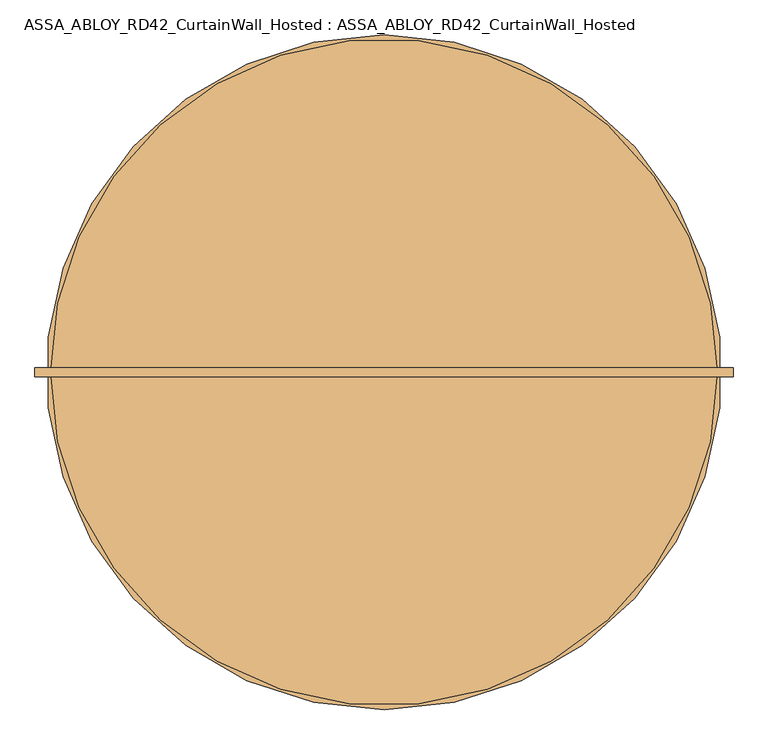
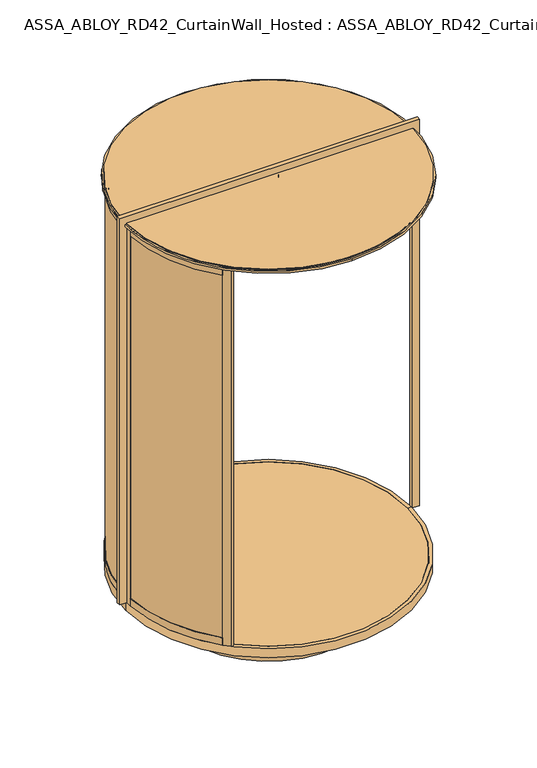
"""IFC4 building model written with IfcOpenShell, lengths in millimetres: door geometry, ASSA_ABLOY_RD42_CurtainWall_Hosted : ASSA_ABLOY_RD42_CurtainWall_Hosted."""

from ifc_helpers import new_model, si_unit, point, frame, frame_2d, origin, origin_with_axes, origin_2d, place, context, project, spatial, polyline, circle_curve, trimmed, segment, composite_curve, outline, extrude, source, transform, mapped, element, save
from ifc_brep_helpers import plane_surface, cylinder_surface, revolved_surface, advanced_brep


def assa_abloy_rd42_curtainwall_hosted_assa_abloy_rd42_5b84d394(model_context):
    return source(origin(), model_context, "Body", "SolidModel", [
        extrude(outline(composite_curve([segment(trimmed(circle_curve(origin_2d(), 979.0), [point((-692.2575388, 692.2575388))], [point((-978.4493032, 32.8323171))], True, "CARTESIAN"), True, "CONTINUOUS"), segment(polyline([(-978.4493032, 32.8323171), (-988.4436781, 33.1676829)]), True, "CONTINUOUS"), segment(trimmed(circle_curve(origin_2d(), 989.0), [point((-988.4436781, 33.1676829))], [point((-699.3286066, 699.3286066))], False, "CARTESIAN"), True, "CONTINUOUS"), segment(polyline([(-699.3286066, 699.3286066), (-692.2575388, 692.2575388)]), True, "CONTINUOUS")], self_intersect=False)), frame((0.0, 0.0, 33.0), z_axis=(0.0, 0.0, 1.0), x_axis=(1.0, 0.0, 0.0)), (0.0, 0.0, 1.0), 2715.0),
        advanced_brep(
        [(-700.2358565, 672.6891892, 0.0), (-718.9857353, 690.701464, 0.0), (-718.9857353, 690.701464, 53.0), (-716.8222877, 688.6231246, 53.0), (-716.8222877, 688.6231246, 33.0), (-702.3993041, 674.7675286, 33.0), (-702.3993041, 674.7675286, 53.0), (-700.2358565, 672.6891892, 53.0), (-969.6270403, 51.6178536, 0.0), (-969.6270403, 51.6178536, 53.0), (-972.6227984, 51.777332, 53.0), (-972.6227984, 51.777332, 33.0), (-992.5945191, 52.8405216, 33.0), (-992.5945191, 52.8405216, 53.0), (-995.5902772, 53.0, 53.0), (-995.5902772, 53.0, 0.0)],
        [
            (0, 1),
            (1, 2),
            (2, 3),
            (3, 4),
            (4, 5),
            (5, 6),
            (6, 7),
            (7, 0),
            (8, 9),
            (9, 10),
            (10, 11),
            (11, 12),
            (12, 13),
            (13, 14),
            (14, 15),
            (15, 8),
            (8, 0, circle_curve(frame((0.0, 0.0, 0.0), z_axis=(0.0, 0.0, -1.0), x_axis=(-0.7211491828453972, 0.6927798034595233, 0.0)), 971.0)),
            (7, 9, circle_curve(frame((0.0, 0.0, 53.0), z_axis=(0.0, 0.0, 1.0), x_axis=(-0.7211491828453972, 0.6927798034595233, 0.0)), 971.0)),
            (6, 10, circle_curve(frame((0.0, 0.0, 53.0), z_axis=(0.0, 0.0, 1.0), x_axis=(-0.7211491828453972, 0.6927798034595233, 0.0)), 974.0)),
            (5, 11, circle_curve(frame((0.0, 0.0, 33.0), z_axis=(0.0, 0.0, 1.0), x_axis=(-0.7211491828453972, 0.6927798034595233, 0.0)), 974.0)),
            (4, 12, circle_curve(frame((0.0, 0.0, 33.0), z_axis=(0.0, 0.0, 1.0), x_axis=(-0.7211491828453972, 0.6927798034595233, 0.0)), 994.0)),
            (3, 13, circle_curve(frame((0.0, 0.0, 53.0), z_axis=(0.0, 0.0, 1.0), x_axis=(-0.7211491828453972, 0.6927798034595233, 0.0)), 994.0)),
            (2, 14, circle_curve(frame((0.0, 0.0, 53.0), z_axis=(0.0, 0.0, 1.0), x_axis=(-0.7211491828453972, 0.6927798034595233, 0.0)), 997.0)),
            (1, 15, circle_curve(frame((0.0, 0.0, 0.0), z_axis=(0.0, 0.0, 1.0), x_axis=(-0.7211491828453972, 0.6927798034595233, 0.0)), 997.0)),
        ],
        [
            plane_surface(frame((-718.9857353, 690.701464, 0.0), z_axis=(0.6927798034595234, 0.7211491828453973, 0.0), x_axis=(0.0, 0.0, 1.0))),
            plane_surface(frame((-995.5902772, 53.0, 0.0), z_axis=(-0.053159478434998075, -0.9985860352781423, 0.0), x_axis=(0.0, 0.0, 1.0))),
            revolved_surface(polyline([(-700.2358565428807, 672.6891891591971, 53.0), (-700.2358565428807, 672.6891891591971, 0.0)]), (0.0, 0.0, 0.0), (0.0, 0.0, 1.0)),
            plane_surface(frame((0.0, 0.0, 53.0), z_axis=(0.0, 0.0, 1.0), x_axis=(-0.7211491828453973, 0.6927798034595234, 0.0))),
            cylinder_surface(frame((0.0, 0.0, 0.0), z_axis=(0.0, 0.0, 1.0), x_axis=(-0.7211491828453972, 0.6927798034595233, 0.0)), 974.0),
            plane_surface(frame((0.0, 0.0, 33.0), z_axis=(0.0, 0.0, 1.0), x_axis=(-0.7211491828453973, 0.6927798034595234, 0.0))),
            revolved_surface(polyline([(-716.8222877483248, 688.6231246387662, 53.0), (-716.8222877483248, 688.6231246387662, 33.0)]), (0.0, 0.0, 0.0), (0.0, 0.0, 1.0)),
            cylinder_surface(frame((0.0, 0.0, 0.0), z_axis=(0.0, 0.0, 1.0), x_axis=(-0.7211491828453972, 0.6927798034595233, 0.0)), 997.0),
            plane_surface(frame((0.0, 0.0, 0.0), z_axis=(0.0, 0.0, -1.0), x_axis=(-0.7211491828453973, 0.6927798034595234, 0.0))),
        ],
        [
            (0, [[1, 2, 3, 4, 5, 6, 7, 8]]),
            (1, [[9, 10, 11, 12, 13, 14, 15, 16]]),
            (2, [[17, -8, 18, -9]]),
            (3, [[-18, -7, 19, -10]]),
            (4, [[-19, -6, 20, -11]]),
            (5, [[-20, -5, 21, -12]]),
            (6, [[-21, -4, 22, -13]]),
            (3, [[-22, -3, 23, -14]]),
            (7, [[-23, -2, 24, -15]]),
            (8, [[-24, -1, -17, -16]]),
        ],
    ),
        advanced_brep(
        [(-969.6270403, 51.6178536, 2778.0), (-995.5902772, 53.0, 2778.0), (-995.5902772, 53.0, 2728.0), (-992.5945191, 52.8405216, 2728.0), (-992.5945191, 52.8405216, 2748.0), (-972.6227984, 51.777332, 2748.0), (-972.6227984, 51.777332, 2728.0), (-969.6270403, 51.6178536, 2728.0), (-700.2358565, 672.6891892, 2778.0), (-700.2358565, 672.6891892, 2728.0), (-702.3993041, 674.7675286, 2728.0), (-702.3993041, 674.7675286, 2748.0), (-716.8222877, 688.6231246, 2748.0), (-716.8222877, 688.6231246, 2728.0), (-718.9857353, 690.701464, 2728.0), (-718.9857353, 690.701464, 2778.0)],
        [
            (0, 1),
            (1, 2),
            (2, 3),
            (3, 4),
            (4, 5),
            (5, 6),
            (6, 7),
            (7, 0),
            (8, 9),
            (9, 10),
            (10, 11),
            (11, 12),
            (12, 13),
            (13, 14),
            (14, 15),
            (15, 8),
            (8, 0, circle_curve(frame((0.0, 0.0, 2778.0), z_axis=(0.0, 0.0, 1.0), x_axis=(-0.9985860352779656, 0.05315947843831304, 0.0)), 971.0)),
            (7, 9, circle_curve(frame((0.0, 0.0, 2728.0), z_axis=(0.0, 0.0, -1.0), x_axis=(-0.9985860352779656, 0.05315947843831304, 0.0)), 971.0)),
            (6, 10, circle_curve(frame((0.0, 0.0, 2728.0), z_axis=(0.0, 0.0, -1.0), x_axis=(-0.9985860352779656, 0.05315947843831304, 0.0)), 974.0)),
            (14, 2, circle_curve(frame((0.0, 0.0, 2728.0), z_axis=(0.0, 0.0, 1.0), x_axis=(-0.9985860352779656, 0.05315947843831304, 0.0)), 997.0)),
            (1, 15, circle_curve(frame((0.0, 0.0, 2778.0), z_axis=(0.0, 0.0, -1.0), x_axis=(-0.9985860352779656, 0.05315947843831304, 0.0)), 997.0)),
            (5, 11, circle_curve(frame((0.0, 0.0, 2748.0), z_axis=(0.0, 0.0, -1.0), x_axis=(-0.9985860352779656, 0.05315947843831304, 0.0)), 974.0)),
            (4, 12, circle_curve(frame((0.0, 0.0, 2748.0), z_axis=(0.0, 0.0, -1.0), x_axis=(-0.9985860352779656, 0.05315947843831304, 0.0)), 994.0)),
            (3, 13, circle_curve(frame((0.0, 0.0, 2728.0), z_axis=(0.0, 0.0, -1.0), x_axis=(-0.9985860352779656, 0.05315947843831304, 0.0)), 994.0)),
        ],
        [
            plane_surface(frame((-995.5902772, 53.0, 2778.0), z_axis=(-0.05315947843831305, -0.9985860352779657, 0.0), x_axis=(0.0, 0.0, 1.0))),
            plane_surface(frame((-718.9857353, 690.701464, 2778.0), z_axis=(0.6927798034621091, 0.7211491828429132, 0.0), x_axis=(0.0, 0.0, 1.0))),
            revolved_surface(polyline([(-969.6270402549046, 51.61785356360196, 2728.0), (-969.6270402549046, 51.61785356360196, 2778.0)]), (0.0, 0.0, 2778.0), (0.0, 0.0, -1.0)),
            plane_surface(frame((0.0, 0.0, 2728.0), z_axis=(0.0, 0.0, -1.0), x_axis=(-0.9985860352779657, 0.05315947843831305, 0.0))),
            cylinder_surface(frame((0.0, 0.0, 2778.0), z_axis=(0.0, 0.0, -1.0), x_axis=(-0.9985860352779656, 0.05315947843831304, 0.0)), 997.0),
            plane_surface(frame((0.0, 0.0, 2778.0), z_axis=(0.0, 0.0, 1.0), x_axis=(-0.9985860352779657, 0.05315947843831305, 0.0))),
            cylinder_surface(frame((0.0, 0.0, 2778.0), z_axis=(0.0, 0.0, -1.0), x_axis=(-0.9985860352779656, 0.05315947843831304, 0.0)), 974.0),
            plane_surface(frame((0.0, 0.0, 2748.0), z_axis=(0.0, 0.0, -1.0), x_axis=(-0.9985860352779657, 0.05315947843831305, 0.0))),
            revolved_surface(polyline([(-992.5945190662978, 52.84052156768316, 2728.0), (-992.5945190662978, 52.84052156768316, 2748.0)]), (0.0, 0.0, 2778.0), (0.0, 0.0, -1.0)),
        ],
        [
            (0, [[1, 2, 3, 4, 5, 6, 7, 8]]),
            (1, [[9, 10, 11, 12, 13, 14, 15, 16]]),
            (2, [[17, -8, 18, -9]]),
            (3, [[-18, -7, 19, -10]]),
            (4, [[20, -2, 21, -15]]),
            (5, [[-21, -1, -17, -16]]),
            (6, [[-19, -6, 22, -11]]),
            (7, [[-22, -5, 23, -12]]),
            (8, [[-23, -4, 24, -13]]),
            (3, [[-24, -3, -20, -14]]),
        ],
    ),
        extrude(outline(composite_curve([segment(polyline([(-702.863883, 702.863883), (-717.0060186, 688.7217474), (-719.1270815, 690.8428103), (-674.5793543, 735.3905375), (-675.2864632, 736.0976464), (-654.0719672, 757.3121425)]), True, "CONTINUOUS"), segment(trimmed(circle_curve(frame_2d((-644.1727276, 747.4129028)), 13.9996389), [point((-654.0719672, 757.3121425))], [point((-634.273488, 737.5136632))], False, "CARTESIAN"), True, "CONTINUOUS"), segment(polyline([(-634.273488, 737.5136632), (-655.487984, 716.2991672), (-656.1950929, 717.0062761), (-700.7428202, 672.4585489), (-702.863883, 674.5796118), (-688.7217474, 688.7217474), (-702.863883, 702.863883)]), True, "CONTINUOUS")], self_intersect=False)), origin_with_axes(), (0.0, 0.0, 1.0), 2778.0),
        extrude(outline(polyline([(-997.0, 0.0), (-997.0, 53.0), (-994.0, 53.0), (-994.0, 33.0), (-974.0, 33.0), (-974.0, 53.0), (-971.0, 53.0), (-971.0, 0.0), (-997.0, 0.0)])), origin_with_axes(), (0.0, 0.0, 1.0), 2778.0),
        extrude(outline(composite_curve([segment(trimmed(circle_curve(origin_2d(), 989.0), [point((-699.3286066, -699.3286066))], [point((-988.4436781, -33.1676829))], False, "CARTESIAN"), True, "CONTINUOUS"), segment(polyline([(-988.4436781, -33.1676829), (-978.4493032, -32.8323171)]), True, "CONTINUOUS"), segment(trimmed(circle_curve(origin_2d(), 979.0), [point((-978.4493032, -32.8323171))], [point((-692.2575388, -692.2575388))], True, "CARTESIAN"), True, "CONTINUOUS"), segment(polyline([(-692.2575388, -692.2575388), (-699.3286066, -699.3286066)]), True, "CONTINUOUS")], self_intersect=False)), frame((0.0, 0.0, 33.0), z_axis=(0.0, 0.0, 1.0), x_axis=(1.0, 0.0, 0.0)), (0.0, 0.0, 1.0), 2715.0),
        advanced_brep(
        [(-700.2358565, -672.6891892, 0.0), (-700.2358565, -672.6891892, 53.0), (-702.3993041, -674.7675286, 53.0), (-702.3993041, -674.7675286, 33.0), (-716.8222877, -688.6231246, 33.0), (-716.8222877, -688.6231246, 53.0), (-718.9857353, -690.701464, 53.0), (-718.9857353, -690.701464, 0.0), (-969.6270403, -51.6178536, 0.0), (-995.5902772, -53.0, 0.0), (-995.5902772, -53.0, 53.0), (-992.5945191, -52.8405216, 53.0), (-992.5945191, -52.8405216, 33.0), (-972.6227984, -51.777332, 33.0), (-972.6227984, -51.777332, 53.0), (-969.6270403, -51.6178536, 53.0)],
        [
            (0, 1),
            (1, 2),
            (2, 3),
            (3, 4),
            (4, 5),
            (5, 6),
            (6, 7),
            (7, 0),
            (8, 9),
            (9, 10),
            (10, 11),
            (11, 12),
            (12, 13),
            (13, 14),
            (14, 15),
            (15, 8),
            (15, 1, circle_curve(frame((0.0, 0.0, 53.0), z_axis=(0.0, 0.0, 1.0), x_axis=(-0.72114918284517, -0.6927798034597599, 0.0)), 971.0)),
            (0, 8, circle_curve(frame((0.0, 0.0, 0.0), z_axis=(0.0, 0.0, -1.0), x_axis=(-0.72114918284517, -0.6927798034597599, 0.0)), 971.0)),
            (14, 2, circle_curve(frame((0.0, 0.0, 53.0), z_axis=(0.0, 0.0, 1.0), x_axis=(-0.72114918284517, -0.6927798034597599, 0.0)), 974.0)),
            (13, 3, circle_curve(frame((0.0, 0.0, 33.0), z_axis=(0.0, 0.0, 1.0), x_axis=(-0.72114918284517, -0.6927798034597599, 0.0)), 974.0)),
            (12, 4, circle_curve(frame((0.0, 0.0, 33.0), z_axis=(0.0, 0.0, 1.0), x_axis=(-0.72114918284517, -0.6927798034597599, 0.0)), 994.0)),
            (11, 5, circle_curve(frame((0.0, 0.0, 53.0), z_axis=(0.0, 0.0, 1.0), x_axis=(-0.72114918284517, -0.6927798034597599, 0.0)), 994.0)),
            (10, 6, circle_curve(frame((0.0, 0.0, 53.0), z_axis=(0.0, 0.0, 1.0), x_axis=(-0.72114918284517, -0.6927798034597599, 0.0)), 997.0)),
            (9, 7, circle_curve(frame((0.0, 0.0, 0.0), z_axis=(0.0, 0.0, 1.0), x_axis=(-0.72114918284517, -0.6927798034597599, 0.0)), 997.0)),
        ],
        [
            plane_surface(frame((-718.9857353, -690.701464, 0.0), z_axis=(0.6927798034597599, -0.7211491828451702, 0.0), x_axis=(0.0, 0.0, 1.0))),
            plane_surface(frame((-995.5902772, -53.0, 0.0), z_axis=(-0.05315947843611757, 0.9985860352780827, 0.0), x_axis=(0.0, 0.0, 1.0))),
            revolved_surface(polyline([(-700.2358565426601, -672.6891891594269, 0.0), (-700.2358565426601, -672.6891891594269, 53.0)]), (0.0, 0.0, 0.0), (0.0, 0.0, -1.0)),
            plane_surface(frame((0.0, 0.0, 53.0), z_axis=(0.0, 0.0, 1.0), x_axis=(-0.72114918284517, -0.6927798034597599, 0.0))),
            cylinder_surface(frame((0.0, 0.0, 0.0), z_axis=(0.0, 0.0, -1.0), x_axis=(-0.72114918284517, -0.6927798034597599, 0.0)), 974.0),
            plane_surface(frame((0.0, 0.0, 33.0), z_axis=(0.0, 0.0, 1.0), x_axis=(-0.72114918284517, -0.6927798034597599, 0.0))),
            revolved_surface(polyline([(-716.822287748099, -688.6231246390013, 33.0), (-716.822287748099, -688.6231246390013, 53.0)]), (0.0, 0.0, 0.0), (0.0, 0.0, -1.0)),
            cylinder_surface(frame((0.0, 0.0, 0.0), z_axis=(0.0, 0.0, -1.0), x_axis=(-0.72114918284517, -0.6927798034597599, 0.0)), 997.0),
            plane_surface(frame((0.0, 0.0, 0.0), z_axis=(0.0, 0.0, -1.0), x_axis=(-0.72114918284517, -0.6927798034597599, 0.0))),
        ],
        [
            (0, [[1, 2, 3, 4, 5, 6, 7, 8]]),
            (1, [[9, 10, 11, 12, 13, 14, 15, 16]]),
            (2, [[17, -1, 18, -16]]),
            (3, [[19, -2, -17, -15]]),
            (4, [[20, -3, -19, -14]]),
            (5, [[21, -4, -20, -13]]),
            (6, [[22, -5, -21, -12]]),
            (3, [[23, -6, -22, -11]]),
            (7, [[24, -7, -23, -10]]),
            (8, [[-18, -8, -24, -9]]),
        ],
    ),
        advanced_brep(
        [(-969.6270403, -51.6178536, 2778.0), (-969.6270403, -51.6178536, 2728.0), (-972.6227984, -51.777332, 2728.0), (-972.6227984, -51.777332, 2748.0), (-992.5945191, -52.8405216, 2748.0), (-992.5945191, -52.8405216, 2728.0), (-995.5902772, -53.0, 2728.0), (-995.5902772, -53.0, 2778.0), (-700.2358565, -672.6891892, 2778.0), (-718.9857353, -690.7014641, 2778.0), (-718.9857353, -690.7014641, 2728.0), (-716.8222878, -688.6231246, 2728.0), (-716.8222878, -688.6231246, 2748.0), (-702.3993041, -674.7675286, 2748.0), (-702.3993041, -674.7675286, 2728.0), (-700.2358565, -672.6891892, 2728.0)],
        [
            (0, 1),
            (1, 2),
            (2, 3),
            (3, 4),
            (4, 5),
            (5, 6),
            (6, 7),
            (7, 0),
            (8, 9),
            (9, 10),
            (10, 11),
            (11, 12),
            (12, 13),
            (13, 14),
            (14, 15),
            (15, 8),
            (15, 1, circle_curve(frame((0.0, 0.0, 2728.0), z_axis=(0.0, 0.0, -1.0), x_axis=(-0.998586035278223, -0.053159478433480345, 0.0)), 971.0)),
            (0, 8, circle_curve(frame((0.0, 0.0, 2778.0), z_axis=(0.0, 0.0, 1.0), x_axis=(-0.998586035278223, -0.053159478433480345, 0.0)), 971.0)),
            (14, 2, circle_curve(frame((0.0, 0.0, 2728.0), z_axis=(0.0, 0.0, -1.0), x_axis=(-0.998586035278223, -0.053159478433480345, 0.0)), 974.0)),
            (9, 7, circle_curve(frame((0.0, 0.0, 2778.0), z_axis=(0.0, 0.0, -1.0), x_axis=(-0.998586035278223, -0.053159478433480345, 0.0)), 997.0)),
            (6, 10, circle_curve(frame((0.0, 0.0, 2728.0), z_axis=(0.0, 0.0, 1.0), x_axis=(-0.998586035278223, -0.053159478433480345, 0.0)), 997.0)),
            (13, 3, circle_curve(frame((0.0, 0.0, 2748.0), z_axis=(0.0, 0.0, -1.0), x_axis=(-0.998586035278223, -0.053159478433480345, 0.0)), 974.0)),
            (12, 4, circle_curve(frame((0.0, 0.0, 2748.0), z_axis=(0.0, 0.0, -1.0), x_axis=(-0.998586035278223, -0.053159478433480345, 0.0)), 994.0)),
            (11, 5, circle_curve(frame((0.0, 0.0, 2728.0), z_axis=(0.0, 0.0, -1.0), x_axis=(-0.998586035278223, -0.053159478433480345, 0.0)), 994.0)),
        ],
        [
            plane_surface(frame((-995.5902772, -53.0, 2778.0), z_axis=(-0.053159478433480345, 0.998586035278223, 0.0), x_axis=(0.0, 0.0, 1.0))),
            plane_surface(frame((-718.9857353, -690.7014641, 2778.0), z_axis=(0.6927798034594096, -0.7211491828455066, 0.0), x_axis=(0.0, 0.0, 1.0))),
            revolved_surface(polyline([(-969.6270402551545, -51.61785355890942, 2778.0), (-969.6270402551545, -51.61785355890942, 2728.0)]), (0.0, 0.0, 2778.0), (0.0, 0.0, 1.0)),
            plane_surface(frame((0.0, 0.0, 2728.0), z_axis=(0.0, 0.0, -1.0), x_axis=(-0.998586035278223, -0.053159478433480345, 0.0))),
            cylinder_surface(frame((0.0, 0.0, 2778.0), z_axis=(0.0, 0.0, 1.0), x_axis=(-0.998586035278223, -0.053159478433480345, 0.0)), 997.0),
            plane_surface(frame((0.0, 0.0, 2778.0), z_axis=(0.0, 0.0, 1.0), x_axis=(-0.998586035278223, -0.053159478433480345, 0.0))),
            cylinder_surface(frame((0.0, 0.0, 2778.0), z_axis=(0.0, 0.0, 1.0), x_axis=(-0.998586035278223, -0.053159478433480345, 0.0)), 974.0),
            plane_surface(frame((0.0, 0.0, 2748.0), z_axis=(0.0, 0.0, -1.0), x_axis=(-0.998586035278223, -0.053159478433480345, 0.0))),
            revolved_surface(polyline([(-992.5945190665536, -52.84052156287946, 2748.0), (-992.5945190665536, -52.84052156287946, 2728.0)]), (0.0, 0.0, 2778.0), (0.0, 0.0, 1.0)),
        ],
        [
            (0, [[1, 2, 3, 4, 5, 6, 7, 8]]),
            (1, [[9, 10, 11, 12, 13, 14, 15, 16]]),
            (2, [[17, -1, 18, -16]]),
            (3, [[19, -2, -17, -15]]),
            (4, [[20, -7, 21, -10]]),
            (5, [[-18, -8, -20, -9]]),
            (6, [[22, -3, -19, -14]]),
            (7, [[23, -4, -22, -13]]),
            (8, [[24, -5, -23, -12]]),
            (3, [[-21, -6, -24, -11]]),
        ],
    ),
        extrude(outline(composite_curve([segment(polyline([(-702.863883, -702.863883), (-688.7217474, -688.7217474), (-702.863883, -674.5796118), (-700.7428202, -672.4585489), (-663.9730103, -709.2283587)]), True, "CONTINUOUS"), segment(trimmed(circle_curve(frame_2d((-673.1651408, -718.4204896)), 12.9996359), [point((-663.9730103, -709.2283587))], [point((-682.3572715, -727.6126203))], False, "CARTESIAN"), True, "CONTINUOUS"), segment(polyline([(-682.3572715, -727.6126203), (-719.1270815, -690.8428103), (-717.0060186, -688.7217474), (-702.863883, -702.863883)]), True, "CONTINUOUS")], self_intersect=False)), origin_with_axes(), (0.0, 0.0, 1.0), 2778.0),
        extrude(outline(polyline([(-997.0, 0.0), (-971.0, 0.0), (-971.0, -53.0), (-974.0, -53.0), (-974.0, -33.0), (-994.0, -33.0), (-994.0, -53.0), (-997.0, -53.0), (-997.0, 0.0)])), origin_with_axes(), (0.0, 0.0, 1.0), 2778.0),
        extrude(outline(composite_curve([segment(trimmed(circle_curve(origin_2d(), 1000.0), [point((-1000.0, 0.0))], [point((1000.0, 0.0))], False, "CARTESIAN"), True, "CONTINUOUS"), segment(trimmed(circle_curve(origin_2d(), 1000.0), [point((1000.0, 0.0))], [point((-1000.0, 0.0))], False, "CARTESIAN"), True, "CONTINUOUS")], self_intersect=False)), frame((0.0, 0.0, 2778.0), z_axis=(0.0, 0.0, 1.0), x_axis=(1.0, 0.0, 0.0)), (0.0, 0.0, 1.0), 22.0),
        extrude(outline(composite_curve([segment(trimmed(circle_curve(origin_2d(), 971.0), [point((-971.0, 0.0))], [point((971.0, 0.0))], False, "CARTESIAN"), True, "CONTINUOUS"), segment(trimmed(circle_curve(origin_2d(), 971.0), [point((971.0, 0.0))], [point((-971.0, 0.0))], False, "CARTESIAN"), True, "CONTINUOUS")], self_intersect=False)), frame((0.0, 0.0, -22.0), z_axis=(0.0, 0.0, 1.0), x_axis=(1.0, 0.0, 0.0)), (0.0, 0.0, 1.0), 22.0),
        extrude(outline(polyline([(2800.0, 1000.0), (2778.0, 1000.0), (2778.0, 997.0), (0.0, 997.0), (0.0, 1047.0), (2850.0, 1047.0), (2850.0, -1047.0), (0.0, -1047.0), (0.0, -997.0), (2778.0, -997.0), (2778.0, -1000.0), (2800.0, -1000.0), (2800.0, 1000.0)])), frame((0.0, -14.0, 0.0), z_axis=(0.0, 1.0, 0.0), x_axis=(0.0, 0.0, 1.0)), (0.0, 0.0, 1.0), 28.0),
        advanced_brep(
        [(997.0, 0.0, -65.0), (-997.0, 0.0, -65.0), (-997.0, 0.0, 0.0), (997.0, 0.0, 0.0), (0.0, 0.0, -65.0), (971.0, 0.0, -23.0), (-971.0, 0.0, -23.0), (0.0, 0.0, -23.0), (971.0, 0.0, 0.0), (-971.0, 0.0, 0.0)],
        [
            (0, 1, circle_curve(frame((0.0, 0.0, -65.0), z_axis=(0.0, 0.0, 1.0), x_axis=(-1.0, 0.0, 0.0)), 997.0)),
            (1, 2),
            (2, 3, circle_curve(frame((0.0, 0.0, 0.0), z_axis=(0.0, 0.0, -1.0), x_axis=(-1.0, 0.0, 0.0)), 997.0)),
            (3, 0),
            (1, 0, circle_curve(frame((0.0, 0.0, -65.0), z_axis=(0.0, 0.0, 1.0), x_axis=(-1.0, 0.0, 0.0)), 997.0)),
            (3, 2, circle_curve(frame((0.0, 0.0, 0.0), z_axis=(0.0, 0.0, -1.0), x_axis=(-1.0, 0.0, 0.0)), 997.0)),
            (0, 4),
            (4, 1),
            (5, 6, circle_curve(frame((0.0, 0.0, -23.0), z_axis=(0.0, 0.0, 1.0), x_axis=(-1.0, 0.0, 0.0)), 971.0)),
            (6, 7),
            (7, 5),
            (6, 5, circle_curve(frame((0.0, 0.0, -23.0), z_axis=(0.0, 0.0, 1.0), x_axis=(-1.0, 0.0, 0.0)), 971.0)),
            (5, 8),
            (8, 9, circle_curve(frame((0.0, 0.0, 0.0), z_axis=(0.0, 0.0, 1.0), x_axis=(-1.0, 0.0, 0.0)), 971.0)),
            (9, 6),
            (9, 8, circle_curve(frame((0.0, 0.0, 0.0), z_axis=(0.0, 0.0, 1.0), x_axis=(-1.0, 0.0, 0.0)), 971.0)),
            (2, 9),
            (8, 3),
        ],
        [
            cylinder_surface(frame((0.0, 0.0, -20.0), z_axis=(0.0, 0.0, -1.0), x_axis=(-1.0, 0.0, 0.0)), 997.0),
            plane_surface(frame((0.0, 0.0, -65.0), z_axis=(0.0, 0.0, -1.0), x_axis=(-1.0, 0.0, 0.0))),
            plane_surface(frame((0.0, 0.0, -23.0), z_axis=(0.0, 0.0, 1.0), x_axis=(-1.0, 0.0, 0.0))),
            revolved_surface(polyline([(-971.0, 0.0, -23.0), (-971.0, 0.0, 0.0)]), (0.0, 0.0, -20.0), (0.0, 0.0, -1.0)),
            plane_surface(frame((0.0, 0.0, 0.0), z_axis=(0.0, 0.0, 1.0), x_axis=(-1.0, 0.0, 0.0))),
        ],
        [
            (0, [[1, 2, 3, 4]]),
            (0, [[-2, 5, -4, 6]]),
            (1, [[-1, 7, 8]]),
            (1, [[-5, -8, -7]]),
            (2, [[9, 10, 11]]),
            (2, [[-10, 12, -11]]),
            (3, [[-9, 13, 14, 15]]),
            (3, [[-12, -15, 16, -13]]),
            (4, [[-3, 17, -14, 18]]),
            (4, [[-6, -18, -16, -17]]),
        ],
    ),
        advanced_brep(
        [(0.0, 1012.0, 2794.0), (0.0, -1012.0, 2794.0), (-60.0, 0.0, 2794.0), (60.0, 0.0, 2794.0), (0.0, 1012.0, 2778.0), (0.0, -1012.0, 2778.0), (60.0, 0.0, 2778.0), (-60.0, 0.0, 2778.0)],
        [
            (0, 1, circle_curve(frame((0.0, 0.0, 2794.0), z_axis=(0.0, 0.0, 1.0), x_axis=(0.0, -1.0, 0.0)), 1012.0)),
            (1, 0, circle_curve(frame((0.0, 0.0, 2794.0), z_axis=(0.0, 0.0, 1.0), x_axis=(0.0, -1.0, 0.0)), 1012.0)),
            (2, 3, circle_curve(frame((0.0, 0.0, 2794.0), z_axis=(0.0, 0.0, -1.0), x_axis=(-1.0, 0.0, 0.0)), 60.0)),
            (3, 2, circle_curve(frame((0.0, 0.0, 2794.0), z_axis=(0.0, 0.0, -1.0), x_axis=(-1.0, 0.0, 0.0)), 60.0)),
            (4, 5, circle_curve(frame((0.0, 0.0, 2778.0), z_axis=(0.0, 0.0, -1.0), x_axis=(0.0, -1.0, 0.0)), 1012.0)),
            (5, 4, circle_curve(frame((0.0, 0.0, 2778.0), z_axis=(0.0, 0.0, -1.0), x_axis=(0.0, -1.0, 0.0)), 1012.0)),
            (6, 7, circle_curve(frame((0.0, 0.0, 2778.0), z_axis=(0.0, 0.0, 1.0), x_axis=(-1.0, 0.0, 0.0)), 60.0)),
            (7, 6, circle_curve(frame((0.0, 0.0, 2778.0), z_axis=(0.0, 0.0, 1.0), x_axis=(-1.0, 0.0, 0.0)), 60.0)),
            (0, 4),
            (5, 1),
            (6, 3),
            (2, 7),
        ],
        [
            plane_surface(frame((0.0, -1012.0, 2794.0), z_axis=(0.0, 0.0, 1.0), x_axis=(1.0, 0.0, 0.0))),
            plane_surface(frame((0.0, -1012.0, 2778.0), z_axis=(0.0, 0.0, -1.0), x_axis=(-1.0, 0.0, 0.0))),
            cylinder_surface(frame((0.0, 0.0, 2794.0), z_axis=(0.0, 0.0, -1.0), x_axis=(0.0, -1.0, 0.0)), 1012.0),
            revolved_surface(polyline([(-60.0, 0.0, 2794.0), (-60.0, 0.0, 2778.0)]), (0.0, 0.0, 2778.0), (0.0, 0.0, 1.0)),
        ],
        [
            (0, [[1, 2], [3, 4]]),
            (1, [[5, 6], [7, 8]]),
            (2, [[-1, 9, -6, 10]]),
            (2, [[-2, -10, -5, -9]]),
            (3, [[11, -3, 12, -7]]),
            (3, [[-11, -8, -12, -4]]),
        ],
    ),
        extrude(outline(composite_curve([segment(trimmed(circle_curve(origin_2d(), 645.0), [point((-645.0, 0.0))], [point((645.0, 0.0))], False, "CARTESIAN"), True, "CONTINUOUS"), segment(trimmed(circle_curve(origin_2d(), 645.0), [point((645.0, 0.0))], [point((-645.0, 0.0))], False, "CARTESIAN"), True, "CONTINUOUS")], self_intersect=False)), frame((0.0, 0.0, -340.0), z_axis=(0.0, 0.0, 1.0), x_axis=(1.0, 0.0, 0.0)), (0.0, 0.0, 1.0), 275.0),
    ])


if __name__ == "__main__":
    model = new_model("IFC4")
    model_context = context("Model", 3, world=origin())
    ifc_project = project(units=[si_unit("LENGTHUNIT", "METRE", prefix="MILLI")], contexts=[model_context])
    site = spatial("IfcSite", under=ifc_project)
    building = spatial("IfcBuilding", under=site)
    placement = place(None, origin())
    assa_abloy_rd42_curtainwall_hosted_assa_abloy_rd42_shape = assa_abloy_rd42_curtainwall_hosted_assa_abloy_rd42_5b84d394(model_context)
    element("IfcDoor", 1, ObjectType="ASSA_ABLOY_RD42_CurtainWall_Hosted : ASSA_ABLOY_RD42_CurtainWall_Hosted", at=placement, inside=building, context=model_context, shape_type="MappedRepresentation", body=[
        mapped(assa_abloy_rd42_curtainwall_hosted_assa_abloy_rd42_shape, transform((0.0, 0.0, 0.0), x_axis=(1.0, 0.0, 0.0), y_axis=(0.0, 1.0, 0.0), z_axis=(0.0, 0.0, 1.0))),
    ])
    save(model, "model.ifc")
